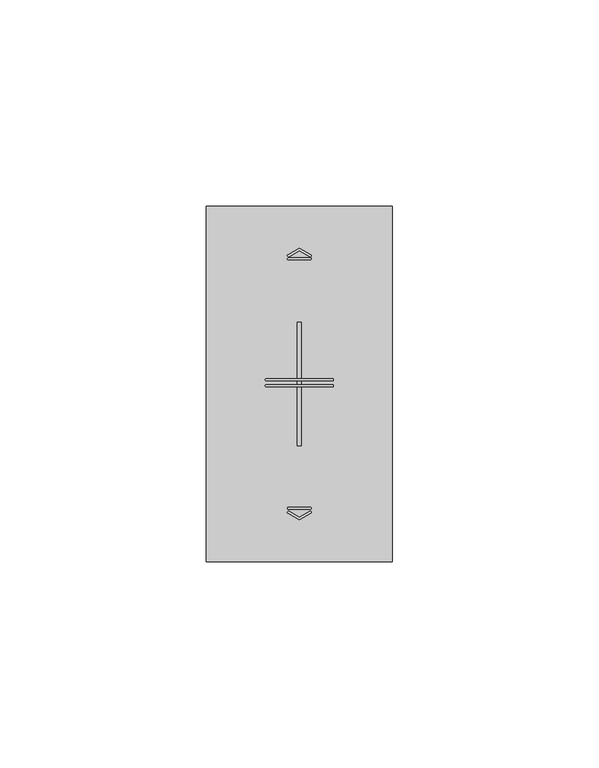
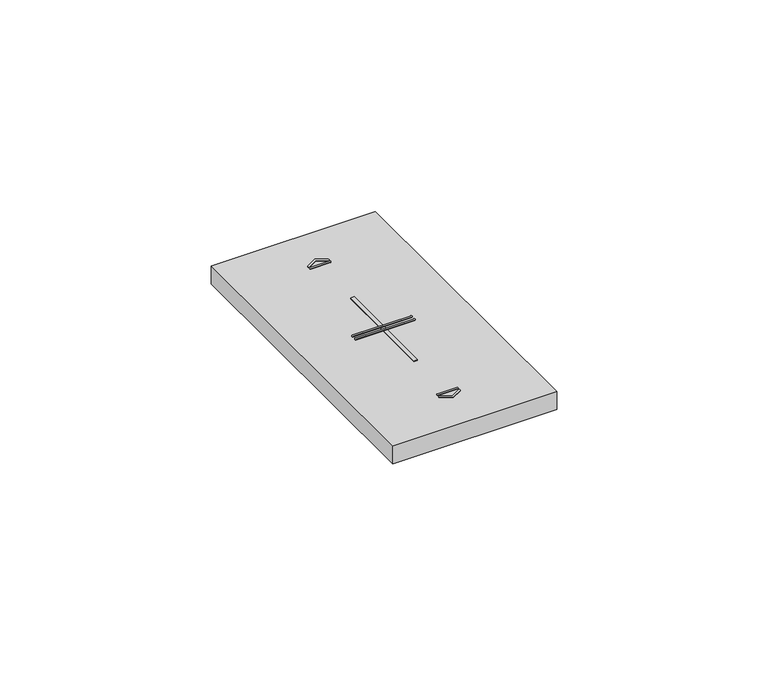
"""IFC4 building model written with IfcOpenShell, lengths in millimetres: proxy geometry."""

from ifc_helpers import new_model, si_unit, point, frame, frame_2d, origin, place, context, project, spatial, polyline, circle_curve, trimmed, segment, composite_curve, outline, extrude, source, transform, mapped, element, save


def electrical_fixtures_e5672af5(model_context):
    return source(origin(), model_context, "Body", "SweptSolid", [
        extrude(outline(composite_curve([segment(polyline([(19.7592079, 74.3175033), (22.5, 75.8674578), (25.2407962, 74.3175011)]), True, "CONTINUOUS"), segment(trimmed(circle_curve(frame_2d((25.108088, 74.0828325)), 0.2695938), [point((25.2407962, 74.3175011))], [point((24.9753797, 73.8481639))], False, "CARTESIAN"), True, "CONTINUOUS"), segment(polyline([(24.9753797, 73.8481639), (22.5, 75.2480241), (20.0246243, 73.8481662)]), True, "CONTINUOUS"), segment(trimmed(circle_curve(frame_2d((19.8919161, 74.0828348)), 0.2695938), [point((20.0246243, 73.8481662))], [point((19.7592079, 74.3175033))], False, "CARTESIAN"), True, "CONTINUOUS")], self_intersect=False)), frame((0.0, 0.0, 10.7), z_axis=(0.0, 0.0, 1.0), x_axis=(1.0, 0.0, 0.0)), (0.0, 0.0, 1.0), 0.1652311),
        extrude(outline(composite_curve([segment(polyline([(14.4966743, 44.2699983), (30.5033298, 44.2699983)]), True, "CONTINUOUS"), segment(trimmed(circle_curve(frame_2d((30.5033298, 44.0206464)), 0.249352), [point((30.5033298, 44.2699983))], [point((30.5033298, 43.7712944))], False, "CARTESIAN"), True, "CONTINUOUS"), segment(polyline([(30.5033298, 43.7712944), (14.4966743, 43.7712944)]), True, "CONTINUOUS"), segment(trimmed(circle_curve(frame_2d((14.4966743, 44.0206464)), 0.249352), [point((14.4966743, 43.7712944))], [point((14.4966743, 44.2699983))], False, "CARTESIAN"), True, "CONTINUOUS")], self_intersect=False)), frame((0.0, 0.0, 10.7), z_axis=(0.0, 0.0, 1.0), x_axis=(1.0, 0.0, 0.0)), (0.0, 0.0, 1.0), 0.1652311),
        extrude(outline(composite_curve([segment(trimmed(circle_curve(frame_2d((19.8919161, 11.9171652)), 0.2695938), [point((19.7592079, 11.6824967))], [point((20.0246243, 12.1518338))], False, "CARTESIAN"), True, "CONTINUOUS"), segment(polyline([(20.0246243, 12.1518338), (22.5, 10.7519759), (24.9753797, 12.1518361)]), True, "CONTINUOUS"), segment(trimmed(circle_curve(frame_2d((25.108088, 11.9171675)), 0.2695938), [point((24.9753797, 12.1518361))], [point((25.2407962, 11.6824989))], False, "CARTESIAN"), True, "CONTINUOUS"), segment(polyline([(25.2407962, 11.6824989), (22.5, 10.1325422), (19.7592079, 11.6824967)]), True, "CONTINUOUS")], self_intersect=False)), frame((0.0, 0.0, 10.7), z_axis=(0.0, 0.0, 1.0), x_axis=(1.0, 0.0, 0.0)), (0.0, 0.0, 1.0), 0.1652311),
        extrude(outline(composite_curve([segment(trimmed(circle_curve(frame_2d((19.8716743, 12.9232302)), 0.249352), [point((19.8716743, 12.6738782))], [point((19.8716743, 13.1725821))], False, "CARTESIAN"), True, "CONTINUOUS"), segment(polyline([(19.8716743, 13.1725821), (25.1283298, 13.1725821)]), True, "CONTINUOUS"), segment(trimmed(circle_curve(frame_2d((25.1283298, 12.9232302)), 0.249352), [point((25.1283298, 13.1725821))], [point((25.1283298, 12.6738782))], False, "CARTESIAN"), True, "CONTINUOUS"), segment(polyline([(25.1283298, 12.6738782), (19.8716743, 12.6738782)]), True, "CONTINUOUS")], self_intersect=False)), frame((0.0, 0.0, 10.7), z_axis=(0.0, 0.0, 1.0), x_axis=(1.0, 0.0, 0.0)), (0.0, 0.0, 1.0), 0.1652311),
        extrude(outline(composite_curve([segment(polyline([(14.4966743, 42.840784), (30.5033298, 42.840784)]), True, "CONTINUOUS"), segment(trimmed(circle_curve(frame_2d((30.5033298, 42.591432)), 0.249352), [point((30.5033298, 42.840784))], [point((30.5033298, 42.34208))], False, "CARTESIAN"), True, "CONTINUOUS"), segment(polyline([(30.5033298, 42.34208), (14.4966743, 42.34208)]), True, "CONTINUOUS"), segment(trimmed(circle_curve(frame_2d((14.4966743, 42.591432)), 0.249352), [point((14.4966743, 42.34208))], [point((14.4966743, 42.840784))], False, "CARTESIAN"), True, "CONTINUOUS")], self_intersect=False)), frame((0.0, 0.0, 10.7), z_axis=(0.0, 0.0, 1.0), x_axis=(1.0, 0.0, 0.0)), (0.0, 0.0, 1.0), 0.1652311),
        extrude(outline(composite_curve([segment(trimmed(circle_curve(frame_2d((19.8716743, 73.2811909)), 0.249352), [point((19.8716743, 73.0318389))], [point((19.8716743, 73.5305429))], False, "CARTESIAN"), True, "CONTINUOUS"), segment(polyline([(19.8716743, 73.5305429), (25.1283298, 73.5305429)]), True, "CONTINUOUS"), segment(trimmed(circle_curve(frame_2d((25.1283298, 73.2811909)), 0.249352), [point((25.1283298, 73.5305429))], [point((25.1283298, 73.0318389))], False, "CARTESIAN"), True, "CONTINUOUS"), segment(polyline([(25.1283298, 73.0318389), (19.8716743, 73.0318389)]), True, "CONTINUOUS")], self_intersect=False)), frame((0.0, 0.0, 10.7), z_axis=(0.0, 0.0, 1.0), x_axis=(1.0, 0.0, 0.0)), (0.0, 0.0, 1.0), 0.1652311),
        extrude(outline(polyline([(22.0, 58.0), (23.0, 58.0), (23.0, 28.0), (22.0, 28.0), (22.0, 58.0)])), frame((0.0, 0.0, 5.5), z_axis=(0.0, 0.0, 1.0), x_axis=(1.0, 0.0, 0.0)), (0.0, 0.0, 1.0), 5.2),
        extrude(outline(polyline([(0.0, 0.0), (0.0, 86.0), (45.0, 86.0), (45.0, 0.0), (0.0, 0.0)]), holes=[polyline([(22.0, 58.0), (22.0, 28.0), (23.0, 28.0), (23.0, 58.0), (22.0, 58.0)])]), frame((0.0, 0.0, 5.5), z_axis=(0.0, 0.0, 1.0), x_axis=(1.0, 0.0, 0.0)), (0.0, 0.0, 1.0), 5.2),
    ])


if __name__ == "__main__":
    model = new_model("IFC4")
    model_context = context("Model", 3, world=origin())
    ifc_project = project(units=[si_unit("LENGTHUNIT", "METRE", prefix="MILLI")], contexts=[model_context])
    site = spatial("IfcSite", under=ifc_project)
    building = spatial("IfcBuilding", under=site)
    placement = place(None, origin())
    electrical_fixtures_shape = electrical_fixtures_e5672af5(model_context)
    element("IfcBuildingElementProxy", 1, Name="Electrical Fixtures", at=placement, inside=building, context=model_context, shape_type="MappedRepresentation", body=[
        mapped(electrical_fixtures_shape, transform((0.0, 0.0, 0.0), x_axis=(1.0, 0.0, 0.0), y_axis=(0.0, 1.0, 0.0), z_axis=(0.0, 0.0, 1.0))),
    ])
    save(model, "model.ifc")
